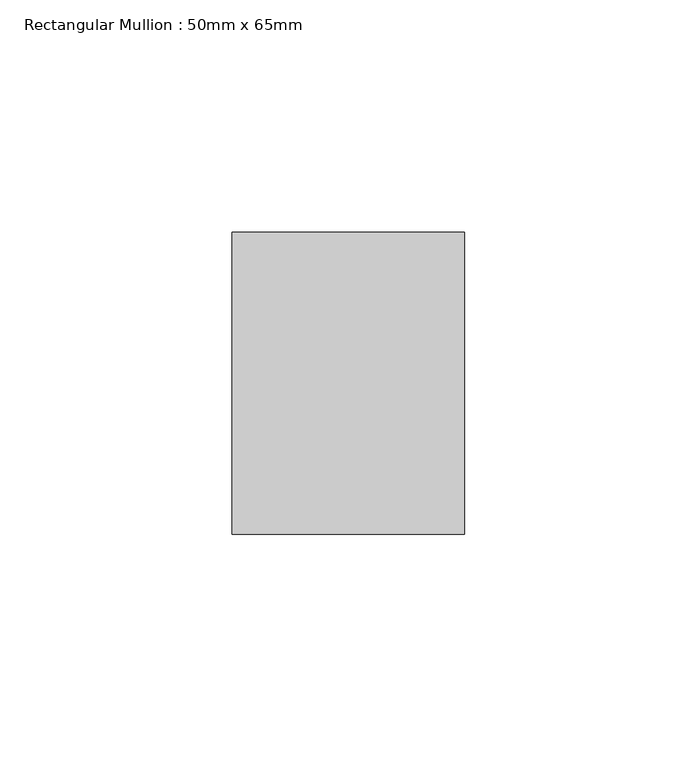
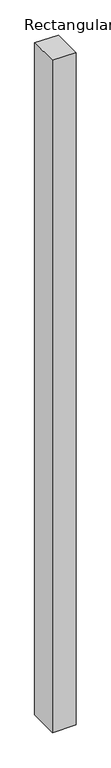
"""IFC4 building model written with IfcOpenShell, lengths in millimetres: member geometry, Rectangular Mullion : 50mm x 65mm."""

from ifc_helpers import new_model, si_unit, origin, place, context, project, spatial, faceted_brep, source, transform, mapped, element, save


def rectangular_mullion_50mm_x_65mm_ba5899d2(model_context):
    return source(origin(), model_context, "Body", "Brep", [
        faceted_brep([(-25.0, 32.5, -0.1073306), (25.0, 32.5, -0.1073312), (25.0, 32.5, -1499.9557311), (-25.0, 32.5, -1499.9557312), (-25.0, -32.5, 0.1073312), (-25.0, -32.5, -1500.0444044), (25.0, -32.5, 0.1073306), (25.0, -32.5, -1500.0444043)], [[[0, 1, 2, 3]], [[4, 0, 3, 5]], [[6, 4, 5, 7]], [[1, 6, 7, 2]], [[1, 0, 4, 6]], [[2, 7, 5, 3]]]),
    ])


if __name__ == "__main__":
    model = new_model("IFC4")
    model_context = context("Model", 3, world=origin())
    ifc_project = project(units=[si_unit("LENGTHUNIT", "METRE", prefix="MILLI")], contexts=[model_context])
    site = spatial("IfcSite", under=ifc_project)
    building = spatial("IfcBuilding", under=site)
    placement = place(None, origin())
    rectangular_mullion_50mm_x_65mm_shape = rectangular_mullion_50mm_x_65mm_ba5899d2(model_context)
    element("IfcMember", 1, ObjectType="Rectangular Mullion : 50mm x 65mm", at=placement, inside=building, context=model_context, shape_type="MappedRepresentation", body=[
        mapped(rectangular_mullion_50mm_x_65mm_shape, transform((0.0, 0.0, 0.0), x_axis=(1.0, 0.0, 0.0), y_axis=(0.0, 1.0, 0.0), z_axis=(0.0, 0.0, 1.0))),
    ])
    save(model, "model.ifc")
